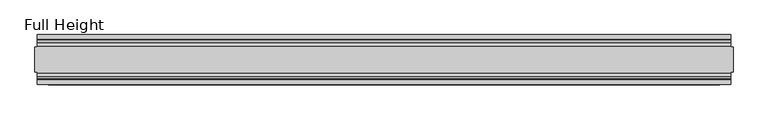
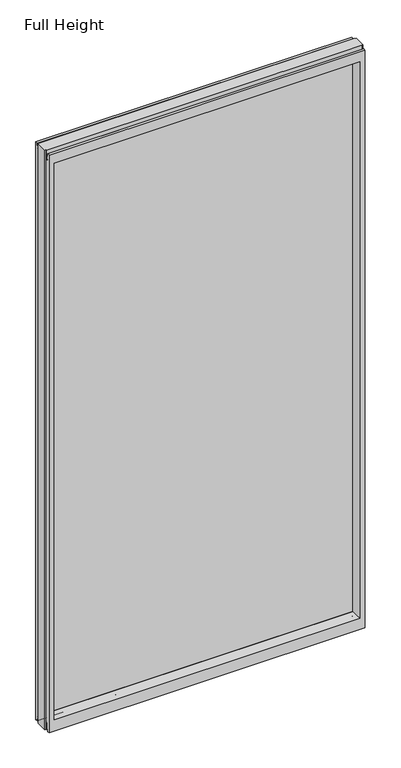
"""IFC4 building model written with IfcOpenShell, lengths in millimetres: plate geometry, Full Height."""

from ifc_helpers import new_model, si_unit, frame, origin, place, context, project, spatial, polyline, circle_curve, outline, extrude, source, transform, mapped, element, save
from ifc_brep_helpers import plane_surface, cylinder_surface, revolved_surface, advanced_brep


def full_height_6cabfcbf(model_context):
    return source(origin(), model_context, "Body", "SolidModel", [
        advanced_brep(
        [(698.5, 25.146, 2688.336), (693.928, 25.146, 2688.336), (693.928, 26.67, 2688.336), (-693.928, 26.67, 2688.336), (-693.928, 25.146, 2688.336), (-698.5, 25.146, 2688.336), (-698.5, -25.146, 2688.336), (-693.928, -25.146, 2688.336), (-693.928, -26.67, 2688.336), (693.928, -26.67, 2688.336), (693.928, -25.146, 2688.336), (698.5, -25.146, 2688.336), (698.5, 25.146, 0.0), (698.5, -25.146, 0.0), (693.928, -25.146, 0.0), (693.928, -26.67, 0.0), (-693.928, -26.67, 0.0), (-693.928, -25.146, 0.0), (-698.5, -25.146, 0.0), (-698.5, 25.146, 0.0), (-693.928, 25.146, 0.0), (-693.928, 26.67, 0.0), (693.928, 26.67, 0.0), (693.928, 25.146, 0.0), (-693.928, 40.7946686, 0.0), (-693.928, 50.0, 0.0), (693.928, 50.0, 0.0), (693.928, 40.7946686, 0.0), (-693.928, 26.67, 36.4542208), (693.928, 26.67, 36.4542208), (-693.928, -26.67, 36.4542208), (-693.928, -34.2686707, 36.8568054), (-693.928, -36.9464913, 11.6561909), (-693.928, -39.043018, 8.6755976), (-693.928, -39.5246686, 7.9074686), (-693.928, -39.5246686, 1.27), (-693.928, -40.7946686, 0.0), (-693.928, -50.0, 0.0), (-693.928, -50.0, 2679.192), (-693.928, -39.9371387, 2679.192), (-693.928, -39.1867152, 2678.5623199), (-693.928, -34.2321175, 2650.4634004), (-693.928, -26.67, 2651.125), (-693.928, 39.5246686, 1.27), (-693.928, 39.5246686, 7.9074686), (-693.928, 39.043018, 8.6755976), (-693.928, 36.9464913, 11.6561909), (-693.928, 34.2686707, 36.8568054), (-693.928, 26.67, 2651.125), (-693.928, 34.2321175, 2650.4634004), (-693.928, 39.1867152, 2678.5623199), (-693.928, 39.9371387, 2679.192), (-693.928, 50.0, 2679.192), (693.928, -50.0, 0.0), (693.928, -50.0, 2679.192), (-671.83, -50.0, 2634.615), (671.83, -50.0, 2634.615), (671.83, -50.0, 52.8372208), (-671.83, -50.0, 52.8372208), (693.928, 50.0, 2679.192), (-671.83, 50.0, 52.8372208), (671.83, 50.0, 52.8372208), (671.83, 50.0, 2634.615), (-671.83, 50.0, 2634.615), (-665.861, -6.1006519, 58.8062208), (-665.861, -6.1006519, 2628.646), (-665.861, 6.1006519, 2628.646), (-665.861, 6.1006519, 58.8062208), (665.861, 6.1006519, 58.8062208), (665.861, 6.1006519, 2628.646), (665.861, -6.1006519, 2628.646), (665.861, -6.1006519, 58.8062208), (693.928, -40.7946686, 0.0), (693.928, -39.5246686, 1.27), (693.928, -39.5246686, 7.9074686), (693.928, -39.043018, 8.6755976), (693.928, -36.9464913, 11.6561909), (693.928, -34.2686707, 36.8568054), (693.928, -26.67, 36.4542208), (693.928, -26.67, 2651.125), (693.928, -34.2321175, 2650.4634004), (693.928, -39.1867152, 2678.5623199), (693.928, -39.9371387, 2679.192), (693.928, 39.9371387, 2679.192), (693.928, 39.1867152, 2678.5623199), (693.928, 34.2321175, 2650.4634004), (693.928, 26.67, 2651.125), (693.928, 34.2686707, 36.8568054), (693.928, 36.9464913, 11.6561909), (693.928, 39.043018, 8.6755976), (693.928, 39.5246686, 7.9074686), (693.928, 39.5246686, 1.27)],
        [
            (0, 1),
            (1, 2),
            (2, 3),
            (3, 4),
            (4, 5),
            (5, 6),
            (6, 7),
            (7, 8),
            (8, 9),
            (9, 10),
            (10, 11),
            (11, 0),
            (12, 13),
            (13, 14),
            (14, 15),
            (15, 16),
            (16, 17),
            (17, 18),
            (18, 19),
            (19, 20),
            (20, 21),
            (21, 22),
            (22, 23),
            (23, 12),
            (23, 1),
            (0, 12),
            (10, 14),
            (13, 11),
            (5, 19),
            (18, 6),
            (17, 7),
            (4, 20),
            (24, 25),
            (25, 26),
            (26, 27),
            (27, 24),
            (21, 28),
            (28, 29),
            (29, 22),
            (16, 30),
            (30, 31, circle_curve(frame((-693.928, -30.48, 36.4542208), z_axis=(1.0, 0.0, 0.0), x_axis=(0.0, -1.0, 0.0)), 3.81)),
            (31, 32),
            (32, 33, circle_curve(frame((-693.928, -40.6770502, 12.0526006), z_axis=(-1.0, 0.0, 0.0), x_axis=(0.0, -1.0, 0.0)), 3.751561)),
            (33, 34, circle_curve(frame((-693.928, -38.671343, 7.9074686), z_axis=(1.0, 0.0, 0.0), x_axis=(0.0, -1.0, 0.0)), 0.8533256)),
            (34, 35),
            (35, 36, circle_curve(frame((-693.928, -40.7946686, 1.27), z_axis=(-1.0, 0.0, 0.0), x_axis=(0.0, -1.0, 0.0)), 1.27)),
            (36, 37),
            (37, 38),
            (38, 39),
            (39, 40, circle_curve(frame((-693.928, -39.9371387, 2678.43), z_axis=(-1.0, 0.0, 0.0), x_axis=(0.0, -1.0, 0.0)), 0.762)),
            (40, 41),
            (41, 42, circle_curve(frame((-693.928, -30.48, 2651.125), z_axis=(1.0, 0.0, 0.0), x_axis=(0.0, -1.0, 0.0)), 3.81)),
            (42, 8),
            (24, 43, circle_curve(frame((-693.928, 40.7946686, 1.27), z_axis=(-1.0, 0.0, 0.0), x_axis=(0.0, -1.0, 0.0)), 1.27)),
            (43, 44),
            (44, 45, circle_curve(frame((-693.928, 38.671343, 7.9074686), z_axis=(1.0, 0.0, 0.0), x_axis=(0.0, -1.0, 0.0)), 0.8533256)),
            (45, 46, circle_curve(frame((-693.928, 40.6770502, 12.0526006), z_axis=(-1.0, 0.0, 0.0), x_axis=(0.0, -1.0, 0.0)), 3.751561)),
            (46, 47),
            (47, 28, circle_curve(frame((-693.928, 30.48, 36.4542208), z_axis=(1.0, 0.0, 0.0), x_axis=(0.0, -1.0, 0.0)), 3.81)),
            (3, 48),
            (48, 49, circle_curve(frame((-693.928, 30.48, 2651.125), z_axis=(1.0, 0.0, 0.0), x_axis=(0.0, -1.0, 0.0)), 3.81)),
            (49, 50),
            (50, 51, circle_curve(frame((-693.928, 39.9371387, 2678.43), z_axis=(-1.0, 0.0, 0.0), x_axis=(0.0, -1.0, 0.0)), 0.762)),
            (51, 52),
            (52, 25),
            (37, 53),
            (53, 54),
            (54, 38),
            (55, 56),
            (56, 57),
            (57, 58),
            (58, 55),
            (52, 59),
            (59, 26),
            (60, 61),
            (61, 62),
            (62, 63),
            (63, 60),
            (58, 64),
            (64, 65),
            (65, 55),
            (63, 66),
            (66, 67),
            (67, 60),
            (61, 68),
            (68, 69),
            (69, 62),
            (70, 71),
            (71, 57),
            (56, 70),
            (53, 72),
            (72, 73, circle_curve(frame((693.928, -40.7946686, 1.27), z_axis=(1.0, 0.0, 0.0), x_axis=(0.0, -1.0, 0.0)), 1.27)),
            (73, 74),
            (74, 75, circle_curve(frame((693.928, -38.671343, 7.9074686), z_axis=(-1.0, 0.0, 0.0), x_axis=(0.0, -1.0, 0.0)), 0.8533256)),
            (75, 76, circle_curve(frame((693.928, -40.6770502, 12.0526006), z_axis=(1.0, 0.0, 0.0), x_axis=(0.0, -1.0, 0.0)), 3.751561)),
            (76, 77),
            (77, 78, circle_curve(frame((693.928, -30.48, 36.4542208), z_axis=(-1.0, 0.0, 0.0), x_axis=(0.0, -1.0, 0.0)), 3.81)),
            (78, 15),
            (9, 79),
            (79, 80, circle_curve(frame((693.928, -30.48, 2651.125), z_axis=(-1.0, 0.0, 0.0), x_axis=(0.0, -1.0, 0.0)), 3.81)),
            (80, 81),
            (81, 82, circle_curve(frame((693.928, -39.9371387, 2678.43), z_axis=(1.0, 0.0, 0.0), x_axis=(0.0, -1.0, 0.0)), 0.762)),
            (82, 54),
            (59, 83),
            (83, 84, circle_curve(frame((693.928, 39.9371387, 2678.43), z_axis=(1.0, 0.0, 0.0), x_axis=(0.0, -1.0, 0.0)), 0.762)),
            (84, 85),
            (85, 86, circle_curve(frame((693.928, 30.48, 2651.125), z_axis=(-1.0, 0.0, 0.0), x_axis=(0.0, -1.0, 0.0)), 3.81)),
            (86, 2),
            (29, 87, circle_curve(frame((693.928, 30.48, 36.4542208), z_axis=(-1.0, 0.0, 0.0), x_axis=(0.0, -1.0, 0.0)), 3.81)),
            (87, 88),
            (88, 89, circle_curve(frame((693.928, 40.6770502, 12.0526006), z_axis=(1.0, 0.0, 0.0), x_axis=(0.0, -1.0, 0.0)), 3.751561)),
            (89, 90, circle_curve(frame((693.928, 38.671343, 7.9074686), z_axis=(-1.0, 0.0, 0.0), x_axis=(0.0, -1.0, 0.0)), 0.8533256)),
            (90, 91),
            (91, 27, circle_curve(frame((693.928, 40.7946686, 1.27), z_axis=(1.0, 0.0, 0.0), x_axis=(0.0, -1.0, 0.0)), 1.27)),
            (91, 43),
            (90, 44),
            (89, 45),
            (88, 46),
            (87, 47),
            (78, 30),
            (31, 77),
            (76, 32),
            (75, 33),
            (74, 34),
            (73, 35),
            (72, 36),
            (71, 64),
            (67, 68),
            (86, 48),
            (85, 49),
            (84, 50),
            (83, 51),
            (69, 66),
            (65, 70),
            (82, 39),
            (81, 40),
            (80, 41),
            (79, 42),
            (65, 66),
            (69, 70),
            (71, 68),
            (67, 64),
        ],
        [
            plane_surface(frame((693.928, 25.146, 2688.336), z_axis=(0.0, 0.0, 1.0), x_axis=(-1.0, 0.0, 0.0))),
            plane_surface(frame((693.928, 25.146, 0.0), z_axis=(0.0, 0.0, -1.0), x_axis=(1.0, 0.0, 0.0))),
            plane_surface(frame((698.5, 25.146, 2688.336), z_axis=(0.0, 1.0, 0.0), x_axis=(0.0, 0.0, -1.0))),
            plane_surface(frame((693.928, -25.146, 2688.336), z_axis=(0.0, -1.0, 0.0), x_axis=(0.0, 0.0, -1.0))),
            plane_surface(frame((698.5, -25.146, 2688.336), z_axis=(1.0, 0.0, 0.0), x_axis=(0.0, 0.0, -1.0))),
            plane_surface(frame((-698.5, 25.146, 2688.336), z_axis=(-1.0, 0.0, 0.0), x_axis=(0.0, 0.0, -1.0))),
            plane_surface(frame((-698.5, -25.146, 2688.336), z_axis=(0.0, -1.0, 0.0), x_axis=(0.0, 0.0, -1.0))),
            plane_surface(frame((-693.928, 25.146, 2688.336), z_axis=(0.0, 1.0, 0.0), x_axis=(0.0, 0.0, -1.0))),
            plane_surface(frame((-693.928, 50.0, 0.0), z_axis=(0.0, 0.0, -1.0), x_axis=(1.0, 0.0, 0.0))),
            plane_surface(frame((-693.928, 26.67, 36.4542208), z_axis=(0.0, 1.0, 0.0), x_axis=(1.0, 0.0, 0.0))),
            plane_surface(frame((-693.928, 50.0, 2646.4006), z_axis=(-1.0, 0.0, 0.0), x_axis=(0.0, 0.0, -1.0))),
            plane_surface(frame((-693.928, -50.0, 2646.4006), z_axis=(0.0, -1.0, 0.0), x_axis=(0.0, 0.0, -1.0))),
            plane_surface(frame((-671.83, 50.0, 2646.4006), z_axis=(0.0, 1.0, 0.0), x_axis=(0.0, 0.0, -1.0))),
            plane_surface(frame((-671.83, -50.0, 2646.4006), z_axis=(0.9908822943533606, -0.13473039277393942, 0.0), x_axis=(0.0, 0.0, -1.0))),
            plane_surface(frame((-665.861, 6.1006519, 2646.4006), z_axis=(0.9908822943533612, 0.13473039277393595, 0.0), x_axis=(0.0, 0.0, -1.0))),
            plane_surface(frame((671.83, 50.0, 2646.4006), z_axis=(-0.9908822943533602, 0.1347303927739433, 0.0), x_axis=(0.0, 0.0, -1.0))),
            plane_surface(frame((665.861, -6.1006519, 2646.4006), z_axis=(-0.990882294353356, -0.13473039277397456, 0.0), x_axis=(0.0, 0.0, -1.0))),
            plane_surface(frame((693.928, -50.0, 2646.4006), z_axis=(1.0, 0.0, 0.0), x_axis=(0.0, 0.0, -1.0))),
            cylinder_surface(frame((693.928, 40.7946686, 1.27), z_axis=(-1.0, 0.0, 0.0), x_axis=(0.0, -1.0, 0.0)), 1.27),
            plane_surface(frame((-693.928, 39.5246686, 1.27), z_axis=(0.0, -1.0, 0.0), x_axis=(1.0, 0.0, 0.0))),
            revolved_surface(polyline([(693.928, 37.8180174, 7.9074686), (-693.928, 37.8180174, 7.9074686)]), (693.928, 38.671343, 7.9074686), (1.0, 0.0, 0.0)),
            cylinder_surface(frame((693.928, 40.6770502, 12.0526006), z_axis=(-1.0, 0.0, 0.0), x_axis=(0.0, -1.0, 0.0)), 3.751561),
            plane_surface(frame((-693.928, 36.9464913, 11.6561909), z_axis=(0.0, -0.9944017560866671, -0.10566526151840352), x_axis=(1.0, 0.0, 0.0))),
            plane_surface(frame((-693.928, -26.67, 0.0), z_axis=(0.0, -1.0, 0.0), x_axis=(1.0, 0.0, 0.0))),
            plane_surface(frame((-693.928, -34.2686707, 36.8568054), z_axis=(0.0, 0.9944017560866222, -0.10566526151882638), x_axis=(1.0, 0.0, 0.0))),
            cylinder_surface(frame((693.928, -40.6770502, 12.0526006), z_axis=(-1.0, 0.0, 0.0), x_axis=(0.0, -1.0, 0.0)), 3.751561),
            revolved_surface(polyline([(693.928, -39.5246686, 7.9074686), (-693.928, -39.5246686, 7.9074686)]), (693.928, -38.671343, 7.9074686), (1.0, 0.0, 0.0)),
            plane_surface(frame((-693.928, -39.5246686, 7.9074686), z_axis=(0.0, 1.0, 0.0), x_axis=(1.0, 0.0, 0.0))),
            cylinder_surface(frame((693.928, -40.7946686, 1.27), z_axis=(-1.0, 0.0, 0.0), x_axis=(0.0, -1.0, 0.0)), 1.27),
            plane_surface(frame((-693.928, -40.7946686, 0.0), z_axis=(0.0, 0.0, -1.0), x_axis=(1.0, 0.0, 0.0))),
            plane_surface(frame((-693.928, -50.0, 52.8372208), z_axis=(0.0, -0.13473039277394736, 0.9908822943533596), x_axis=(1.0, 0.0, 0.0))),
            plane_surface(frame((-693.928, 6.1006519, 58.8062208), z_axis=(0.0, 0.13473039277399934, 0.9908822943533526), x_axis=(1.0, 0.0, 0.0))),
            revolved_surface(polyline([(693.928, 26.67, 36.4542208), (-693.928, 26.67, 36.4542208)]), (693.928, 30.48, 36.4542208), (1.0, 0.0, 0.0)),
            revolved_surface(polyline([(693.928, -34.29, 36.4542208), (-693.928, -34.29, 36.4542208)]), (693.928, -30.48, 36.4542208), (1.0, 0.0, 0.0)),
            plane_surface(frame((-693.928, 26.67, 2688.336), z_axis=(0.0, 1.0, 0.0), x_axis=(1.0, 0.0, 0.0))),
            revolved_surface(polyline([(693.9279999999999, 26.67, 2651.125), (-693.928, 26.67, 2651.125)]), (-698.5, 30.48, 2651.125), (1.0, 0.0, 0.0)),
            plane_surface(frame((-693.928, 34.2321175, 2650.4634004), z_axis=(0.0, -0.9848077530113105, 0.17364817767202048), x_axis=(1.0, 0.0, 0.0))),
            cylinder_surface(frame((-698.5, 39.9371387, 2678.43), z_axis=(-1.0, 0.0, 0.0), x_axis=(0.0, -1.0, 0.0)), 0.762),
            plane_surface(frame((-693.928, 39.9371387, 2679.192), z_axis=(0.0, 0.0, 1.0), x_axis=(1.0, 0.0, 0.0))),
            plane_surface(frame((-693.928, 50.0, 2634.615), z_axis=(0.0, 0.1347303927734498, -0.9908822943534272), x_axis=(1.0, 0.0, 0.0))),
            plane_surface(frame((-693.928, -6.1006519, 2628.646), z_axis=(0.0, -0.1347303927724766, -0.9908822943535597), x_axis=(1.0, 0.0, 0.0))),
            plane_surface(frame((-693.928, -50.0, 2679.192), z_axis=(0.0, 0.0, 1.0), x_axis=(1.0, 0.0, 0.0))),
            cylinder_surface(frame((-698.5, -39.9371387, 2678.43), z_axis=(-1.0, 0.0, 0.0), x_axis=(0.0, -1.0, 0.0)), 0.762),
            plane_surface(frame((-693.928, -39.1867152, 2678.5623199), z_axis=(0.0, 0.9848077530103839, 0.17364817767727606), x_axis=(1.0, 0.0, 0.0))),
            revolved_surface(polyline([(693.9279999999999, -34.29, 2651.125), (-693.928, -34.29, 2651.125)]), (-698.5, -30.48, 2651.125), (1.0, 0.0, 0.0)),
            plane_surface(frame((-693.928, -26.67, 2651.125), z_axis=(0.0, -1.0, 0.0), x_axis=(1.0, 0.0, 0.0))),
            plane_surface(frame((-693.928, 6.1006519, 2628.646), z_axis=(0.0, 0.0, -1.0), x_axis=(1.0, 0.0, 0.0))),
            plane_surface(frame((-693.928, -6.1006519, 58.8062208), z_axis=(0.0, 0.0, 1.0), x_axis=(1.0, 0.0, 0.0))),
            plane_surface(frame((-665.861, -6.1006519, 2646.4006), z_axis=(1.0, 0.0, 0.0), x_axis=(0.0, 0.0, -1.0))),
            plane_surface(frame((665.861, 6.1006519, 2646.4006), z_axis=(-1.0, 0.0, 0.0), x_axis=(0.0, 0.0, -1.0))),
        ],
        [
            (0, [[1, 2, 3, 4, 5, 6, 7, 8, 9, 10, 11, 12]]),
            (1, [[13, 14, 15, 16, 17, 18, 19, 20, 21, 22, 23, 24]]),
            (2, [[25, -1, 26, -24]]),
            (3, [[-11, 27, -14, 28]]),
            (4, [[-12, -28, -13, -26]]),
            (5, [[-6, 29, -19, 30]]),
            (6, [[31, -7, -30, -18]]),
            (7, [[-5, 32, -20, -29]]),
            (8, [[33, 34, 35, 36]]),
            (9, [[37, 38, 39, -22]]),
            (10, [[-17, 40, 41, 42, 43, 44, 45, 46, 47, 48, 49, 50, 51, 52, 53, -8, -31]]),
            (10, [[-33, 54, 55, 56, 57, 58, 59, -37, -21, -32, -4, 60, 61, 62, 63, 64, 65]]),
            (11, [[-48, 66, 67, 68], [69, 70, 71, 72]]),
            (12, [[-65, 73, 74, -34], [75, 76, 77, 78]]),
            (13, [[-72, 79, 80, 81]]),
            (14, [[-78, 82, 83, 84]]),
            (15, [[-76, 85, 86, 87]]),
            (16, [[88, 89, -70, 90]]),
            (17, [[-67, 91, 92, 93, 94, 95, 96, 97, 98, -15, -27, -10, 99, 100, 101, 102, 103]]),
            (17, [[-74, 104, 105, 106, 107, 108, -2, -25, -23, -39, 109, 110, 111, 112, 113, 114, -35]]),
            (18, [[-54, -36, -114, 115]]),
            (19, [[-55, -115, -113, 116]]),
            (20, [[-56, -116, -112, 117]]),
            (21, [[-57, -117, -111, 118]]),
            (22, [[-58, -118, -110, 119]]),
            (23, [[-40, -16, -98, 120]]),
            (24, [[-42, 121, -96, 122]]),
            (25, [[-43, -122, -95, 123]]),
            (26, [[-44, -123, -94, 124]]),
            (27, [[-45, -124, -93, 125]]),
            (28, [[-46, -125, -92, 126]]),
            (29, [[-47, -126, -91, -66]]),
            (30, [[-71, -89, 127, -79]]),
            (31, [[-75, -84, 128, -85]]),
            (32, [[-59, -119, -109, -38]]),
            (33, [[-41, -120, -97, -121]]),
            (34, [[-60, -3, -108, 129]]),
            (35, [[-61, -129, -107, 130]]),
            (36, [[-62, -130, -106, 131]]),
            (37, [[-63, -131, -105, 132]]),
            (38, [[-64, -132, -104, -73]]),
            (39, [[-77, -87, 133, -82]]),
            (40, [[-69, -81, 134, -90]]),
            (41, [[-49, -68, -103, 135]]),
            (42, [[-50, -135, -102, 136]]),
            (43, [[-51, -136, -101, 137]]),
            (44, [[-52, -137, -100, 138]]),
            (45, [[-53, -138, -99, -9]]),
            (46, [[-134, 139, -133, 140]]),
            (47, [[-127, 141, -128, 142]]),
            (48, [[-83, -139, -80, -142]]),
            (49, [[-88, -140, -86, -141]]),
        ],
    ),
        extrude(outline(polyline([(-665.861, 4.826), (665.861, 4.826), (665.861, -4.826), (-665.861, -4.826), (-665.861, 4.826)])), frame((0.0, 0.0, 58.8062208), z_axis=(0.0, 0.0, 1.0), x_axis=(1.0, 0.0, 0.0)), (0.0, 0.0, 1.0), 2569.8397792),
    ])


if __name__ == "__main__":
    model = new_model("IFC4")
    model_context = context("Model", 3, world=origin())
    ifc_project = project(units=[si_unit("LENGTHUNIT", "METRE", prefix="MILLI")], contexts=[model_context])
    site = spatial("IfcSite", under=ifc_project)
    building = spatial("IfcBuilding", under=site)
    placement = place(None, origin())
    full_height_shape = full_height_6cabfcbf(model_context)
    element("IfcPlate", 1, ObjectType="Full Height", at=placement, inside=building, context=model_context, shape_type="MappedRepresentation", body=[
        mapped(full_height_shape, transform((0.0, 0.0, 0.0), x_axis=(1.0, 0.0, 0.0), y_axis=(0.0, 1.0, 0.0), z_axis=(0.0, 0.0, 1.0))),
    ])
    save(model, "model.ifc")
